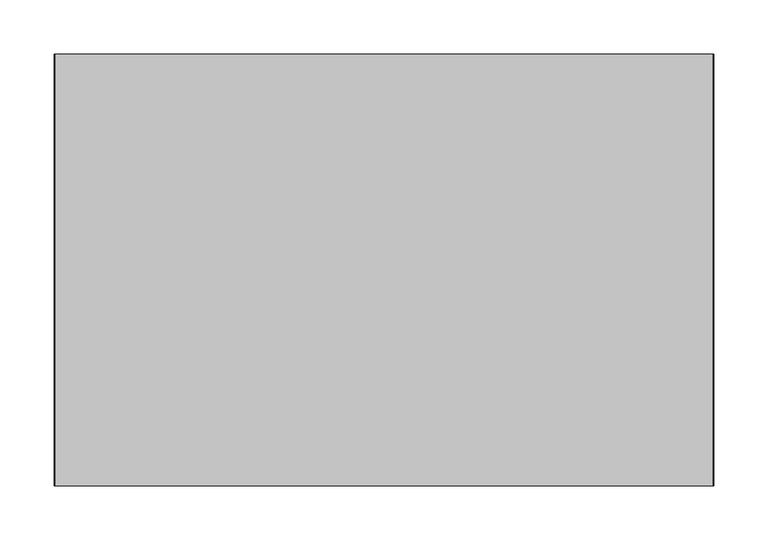
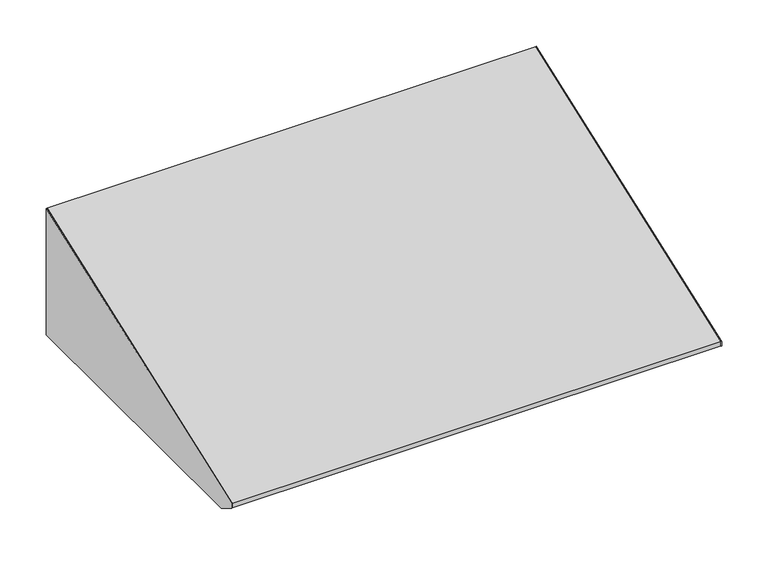
"""IFC4 building model written with IfcOpenShell, lengths in millimetres: furniture geometry."""

from ifc_helpers import new_model, si_unit, frame, origin, place, context, project, spatial, polyline, outline, extrude, source, transform, mapped, element, save


def furniture_074bea82(model_context):
    return source(origin(), model_context, "Body", "SweptSolid", [
        extrude(outline(polyline([(-21.75256, 2287.1447788), (-21.75256, 2120.9198437), (-398.9953187, 2120.9198437), (-420.83736, 2134.7509853), (-420.83736, 2140.873236), (-21.75256, 2287.1447788)])), frame((322.7439549, 0.0, 0.0), z_axis=(1.0, 0.0, 0.0), x_axis=(0.0, 1.0, 0.0)), (0.0, 0.0, 1.0), 0.79375),
        extrude(outline(polyline([(-21.75256, 2120.9198437), (-398.9953187, 2120.9198437), (-420.83736, 2134.7509853), (-420.83736, 2140.873236), (-21.75256, 2287.1447788), (-21.75256, 2120.9198437)])), frame((-286.0622951, 0.0, 0.0), z_axis=(1.0, 0.0, 0.0), x_axis=(0.0, 1.0, 0.0)), (0.0, 0.0, 1.0), 0.79375),
        extrude(outline(polyline([(304.488502, -386.2953187), (304.488502, -97.8702473), (322.7439549, -97.8702473), (322.7439549, -386.2953187), (304.488502, -386.2953187)])), frame((0.0, 0.0, 2120.9198437), z_axis=(0.0, 0.0, 1.0), x_axis=(1.0, 0.0, 0.0)), (0.0, 0.0, 1.0), 0.79375),
        extrude(outline(polyline([(-21.75256, 2120.9198437), (-97.5295544, 2120.9198437), (-97.5295544, 2121.7135938), (-22.54631, 2121.7135938), (-22.54631, 2272.6351226), (-21.75256, 2272.6351226), (-21.75256, 2120.9198437)])), frame((312.1081836, 0.0, 0.0), z_axis=(1.0, 0.0, 0.0), x_axis=(0.0, 1.0, 0.0)), (0.0, 0.0, 1.0), 10.6357713),
        extrude(outline(polyline([(-21.75256, 2120.9198437), (-97.5295544, 2120.9198437), (-97.5295544, 2121.7135938), (-22.54631, 2121.7135938), (-22.54631, 2272.6351226), (-21.75256, 2272.6351226), (-21.75256, 2120.9198437)])), frame((-285.2685451, 0.0, 0.0), z_axis=(1.0, 0.0, 0.0), x_axis=(0.0, 1.0, 0.0)), (0.0, 0.0, 1.0), 10.6357713),
        extrude(outline(polyline([(-285.2685451, -386.2953187), (-285.2685451, -97.8702473), (-267.0130922, -97.8702473), (-267.0130922, -386.2953187), (-285.2685451, -386.2953187)])), frame((0.0, 0.0, 2120.9198437), z_axis=(0.0, 0.0, 1.0), x_axis=(1.0, 0.0, 0.0)), (0.0, 0.0, 1.0), 0.79375),
        extrude(outline(polyline([(-420.83736, 2140.873236), (-21.75256, 2287.1447788), (-21.75256, 2272.6351226), (-22.54631, 2272.6351226), (-22.54631, 2286.0085247), (-420.04361, 2140.3187482), (-420.04361, 2135.1878636), (-221.2358067, 2121.7135938), (-386.2953187, 2121.7135938), (-386.2953187, 2120.9198437), (-398.9953187, 2120.9198437), (-420.83736, 2134.7509853), (-420.83736, 2140.873236)])), frame((-285.2685451, 0.0, 0.0), z_axis=(1.0, 0.0, 0.0), x_axis=(0.0, 1.0, 0.0)), (0.0, 0.0, 1.0), 608.0125),
    ])


if __name__ == "__main__":
    model = new_model("IFC4")
    model_context = context("Model", 3, world=origin())
    ifc_project = project(units=[si_unit("LENGTHUNIT", "METRE", prefix="MILLI")], contexts=[model_context])
    site = spatial("IfcSite", under=ifc_project)
    building = spatial("IfcBuilding", under=site)
    placement = place(None, origin())
    furniture_shape = furniture_074bea82(model_context)
    element("IfcFurniture", 1, at=placement, inside=building, context=model_context, shape_type="MappedRepresentation", body=[
        mapped(furniture_shape, transform((0.0, 0.0, 0.0), x_axis=(1.0, 0.0, 0.0), y_axis=(0.0, 1.0, 0.0), z_axis=(0.0, 0.0, 1.0))),
    ])
    save(model, "model.ifc")
